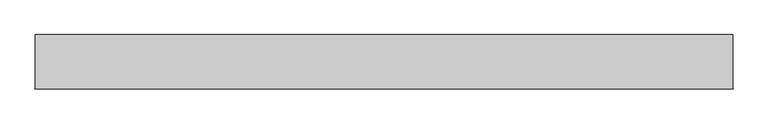
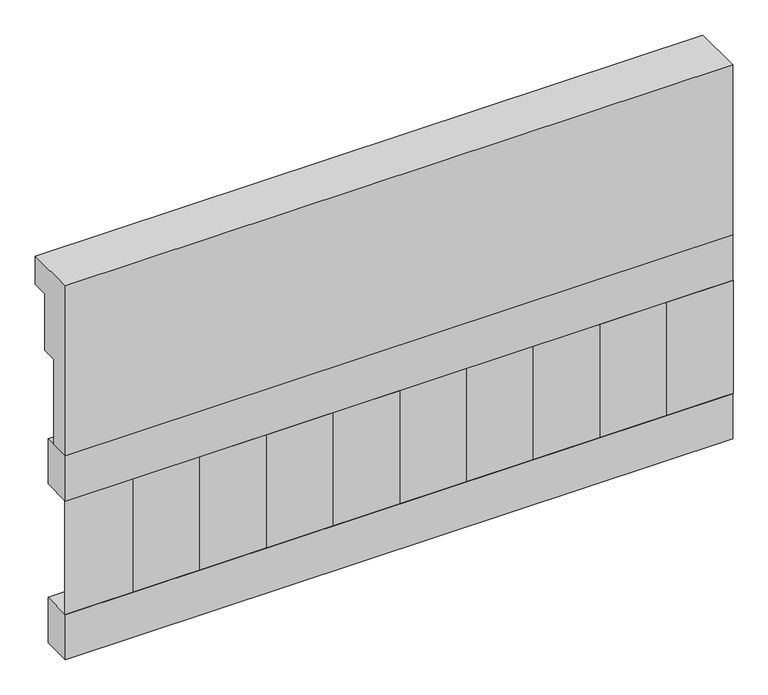
"""IFC4 building model written with IfcOpenShell, lengths in millimetres: railing geometry."""

from ifc_helpers import new_model, si_unit, frame, origin, place, context, project, spatial, polyline, outline, extrude, source, transform, mapped, element, save


def railing_98daa618(model_context):
    return source(origin(), model_context, "Body", "SweptSolid", [
        extrude(outline(polyline([(903.1079487, 28400.0), (1033.1079487, 28400.0), (1033.1079487, 28325.0), (993.1079487, 28325.0), (993.1079487, 28175.0), (953.1079487, 28175.0), (953.1079487, 27950.0), (903.1079487, 27950.0), (903.1079487, 28400.0)])), frame((19290.0112841, 0.0, 0.0), z_axis=(1.0, 0.0, 0.0), x_axis=(0.0, 1.0, 0.0)), (0.0, 0.0, 1.0), 1670.0),
        extrude(outline(polyline([(20960.0112841, 978.1079487), (20960.0112841, 903.1079487), (19290.0112841, 903.1079487), (19290.0112841, 978.1079487), (20960.0112841, 978.1079487)])), frame((0.0, 0.0, 27830.0), z_axis=(0.0, 0.0, 1.0), x_axis=(1.0, 0.0, 0.0)), (0.0, 0.0, 1.0), 120.0),
        extrude(outline(polyline([(20960.0112841, 978.1079487), (20960.0112841, 903.1079487), (19290.0112841, 903.1079487), (19290.0112841, 978.1079487), (20960.0112841, 978.1079487)])), frame((0.0, 0.0, 27410.0), z_axis=(0.0, 0.0, 1.0), x_axis=(1.0, 0.0, 0.0)), (0.0, 0.0, 1.0), 120.0),
        extrude(outline(polyline([(19373.5112841, 987.9607624), (19458.3640978, 903.1079487), (19288.6584704, 903.1079487), (19373.5112841, 987.9607624)])), frame((0.0, 0.0, 27530.0), z_axis=(0.0, 0.0, 1.0), x_axis=(1.0, 0.0, 0.0)), (0.0, 0.0, 1.0), 300.0),
        extrude(outline(polyline([(19540.5112841, 987.9607624), (19625.3640978, 903.1079487), (19455.6584704, 903.1079487), (19540.5112841, 987.9607624)])), frame((0.0, 0.0, 27530.0), z_axis=(0.0, 0.0, 1.0), x_axis=(1.0, 0.0, 0.0)), (0.0, 0.0, 1.0), 300.0),
        extrude(outline(polyline([(19707.5112841, 987.9607624), (19792.3640978, 903.1079487), (19622.6584704, 903.1079487), (19707.5112841, 987.9607624)])), frame((0.0, 0.0, 27530.0), z_axis=(0.0, 0.0, 1.0), x_axis=(1.0, 0.0, 0.0)), (0.0, 0.0, 1.0), 300.0),
        extrude(outline(polyline([(19874.5112841, 987.9607624), (19959.3640978, 903.1079487), (19789.6584704, 903.1079487), (19874.5112841, 987.9607624)])), frame((0.0, 0.0, 27530.0), z_axis=(0.0, 0.0, 1.0), x_axis=(1.0, 0.0, 0.0)), (0.0, 0.0, 1.0), 300.0),
        extrude(outline(polyline([(20041.5112841, 987.9607624), (20126.3640978, 903.1079487), (19956.6584704, 903.1079487), (20041.5112841, 987.9607624)])), frame((0.0, 0.0, 27530.0), z_axis=(0.0, 0.0, 1.0), x_axis=(1.0, 0.0, 0.0)), (0.0, 0.0, 1.0), 300.0),
        extrude(outline(polyline([(20208.5112841, 987.9607624), (20293.3640978, 903.1079487), (20123.6584704, 903.1079487), (20208.5112841, 987.9607624)])), frame((0.0, 0.0, 27530.0), z_axis=(0.0, 0.0, 1.0), x_axis=(1.0, 0.0, 0.0)), (0.0, 0.0, 1.0), 300.0),
        extrude(outline(polyline([(20375.5112841, 987.9607624), (20460.3640978, 903.1079487), (20290.6584704, 903.1079487), (20375.5112841, 987.9607624)])), frame((0.0, 0.0, 27530.0), z_axis=(0.0, 0.0, 1.0), x_axis=(1.0, 0.0, 0.0)), (0.0, 0.0, 1.0), 300.0),
        extrude(outline(polyline([(20542.5112841, 987.9607624), (20627.3640978, 903.1079487), (20457.6584704, 903.1079487), (20542.5112841, 987.9607624)])), frame((0.0, 0.0, 27530.0), z_axis=(0.0, 0.0, 1.0), x_axis=(1.0, 0.0, 0.0)), (0.0, 0.0, 1.0), 300.0),
        extrude(outline(polyline([(20709.5112841, 987.9607624), (20794.3640978, 903.1079487), (20624.6584704, 903.1079487), (20709.5112841, 987.9607624)])), frame((0.0, 0.0, 27530.0), z_axis=(0.0, 0.0, 1.0), x_axis=(1.0, 0.0, 0.0)), (0.0, 0.0, 1.0), 300.0),
        extrude(outline(polyline([(20876.5112841, 987.9607624), (20961.3640978, 903.1079487), (20791.6584704, 903.1079487), (20876.5112841, 987.9607624)])), frame((0.0, 0.0, 27530.0), z_axis=(0.0, 0.0, 1.0), x_axis=(1.0, 0.0, 0.0)), (0.0, 0.0, 1.0), 300.0),
    ])


if __name__ == "__main__":
    model = new_model("IFC4")
    model_context = context("Model", 3, world=origin())
    ifc_project = project(units=[si_unit("LENGTHUNIT", "METRE", prefix="MILLI")], contexts=[model_context])
    site = spatial("IfcSite", under=ifc_project)
    building = spatial("IfcBuilding", under=site)
    placement = place(None, origin())
    railing_shape = railing_98daa618(model_context)
    element("IfcRailing", 1, at=placement, inside=building, context=model_context, shape_type="MappedRepresentation", body=[
        mapped(railing_shape, transform((0.0, 0.0, 0.0), x_axis=(1.0, 0.0, 0.0), y_axis=(0.0, 1.0, 0.0), z_axis=(0.0, 0.0, 1.0))),
    ])
    save(model, "model.ifc")
